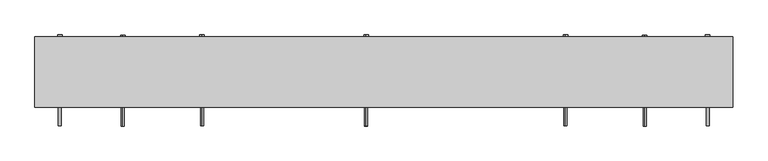
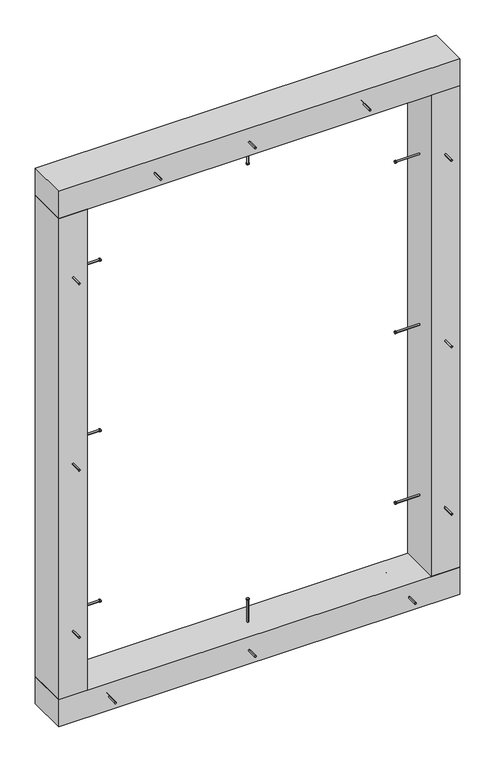
"""IFC4 building model written with IfcOpenShell, lengths in millimetres: proxy geometry."""

from ifc_helpers import new_model, si_unit, point, frame, frame_2d, origin, origin_with_axes, place, context, project, spatial, polyline, circle_curve, trimmed, segment, composite_curve, outline, extrude, source, transform, mapped, element, save


def generic_models_82da4d3c(model_context):
    return source(origin(), model_context, "Body", "SweptSolid", [
        extrude(outline(composite_curve([segment(trimmed(circle_curve(frame_2d((125.0, 20.0)), 2.4700592), [point((125.0, 17.5299408))], [point((125.0, 22.4700592))], False, "CARTESIAN"), True, "CONTINUOUS"), segment(trimmed(circle_curve(frame_2d((125.0, 20.0)), 2.4700592), [point((125.0, 22.4700592))], [point((125.0, 17.5299408))], False, "CARTESIAN"), True, "CONTINUOUS")], self_intersect=False)), frame((0.0, 0.0, 25.0), z_axis=(0.0, 0.0, 1.0), x_axis=(1.0, 0.0, 0.0)), (0.0, 0.0, 1.0), 130.0),
        extrude(outline(composite_curve([segment(trimmed(circle_curve(frame_2d((125.0, 20.0)), 3.8), [point((125.0, 16.2))], [point((125.0, 23.8))], False, "CARTESIAN"), True, "CONTINUOUS"), segment(trimmed(circle_curve(frame_2d((125.0, 20.0)), 3.8), [point((125.0, 23.8))], [point((125.0, 16.2))], False, "CARTESIAN"), True, "CONTINUOUS")], self_intersect=False)), frame((0.0, 0.0, 155.0), z_axis=(0.0, 0.0, 1.0), x_axis=(1.0, 0.0, 0.0)), (0.0, 0.0, 1.0), 3.0),
        extrude(outline(composite_curve([segment(trimmed(circle_curve(frame_2d((42.5, 95.0)), 2.4700592), [point((44.9700592, 95.0))], [point((40.0299408, 95.0))], False, "CARTESIAN"), True, "CONTINUOUS"), segment(trimmed(circle_curve(frame_2d((42.5, 95.0)), 2.4700592), [point((40.0299408, 95.0))], [point((44.9700592, 95.0))], False, "CARTESIAN"), True, "CONTINUOUS")], self_intersect=False)), frame((0.0, -72.0, 0.0), z_axis=(0.0, 1.0, 0.0), x_axis=(0.0, 0.0, 1.0)), (0.0, 0.0, 1.0), 152.0),
        extrude(outline(composite_curve([segment(trimmed(circle_curve(frame_2d((42.5, 95.0)), 3.8), [point((46.3, 95.0))], [point((38.7, 95.0))], False, "CARTESIAN"), True, "CONTINUOUS"), segment(trimmed(circle_curve(frame_2d((42.5, 95.0)), 3.8), [point((38.7, 95.0))], [point((46.3, 95.0))], False, "CARTESIAN"), True, "CONTINUOUS")], self_intersect=False)), frame((0.0, 80.0, 0.0), z_axis=(0.0, 1.0, 0.0), x_axis=(0.0, 0.0, 1.0)), (0.0, 0.0, 1.0), 3.0),
        extrude(outline(composite_curve([segment(trimmed(circle_curve(frame_2d((42.5, -320.0)), 2.4700592), [point((44.9700592, -320.0))], [point((40.0299408, -320.0))], False, "CARTESIAN"), True, "CONTINUOUS"), segment(trimmed(circle_curve(frame_2d((42.5, -320.0)), 2.4700592), [point((40.0299408, -320.0))], [point((44.9700592, -320.0))], False, "CARTESIAN"), True, "CONTINUOUS")], self_intersect=False)), frame((0.0, -72.0, 0.0), z_axis=(0.0, 1.0, 0.0), x_axis=(0.0, 0.0, 1.0)), (0.0, 0.0, 1.0), 152.0),
        extrude(outline(composite_curve([segment(trimmed(circle_curve(frame_2d((42.5, -320.0)), 3.8), [point((46.3, -320.0))], [point((38.7, -320.0))], False, "CARTESIAN"), True, "CONTINUOUS"), segment(trimmed(circle_curve(frame_2d((42.5, -320.0)), 3.8), [point((38.7, -320.0))], [point((46.3, -320.0))], False, "CARTESIAN"), True, "CONTINUOUS")], self_intersect=False)), frame((0.0, 80.0, 0.0), z_axis=(0.0, 1.0, 0.0), x_axis=(0.0, 0.0, 1.0)), (0.0, 0.0, 1.0), 3.0),
        extrude(outline(composite_curve([segment(trimmed(circle_curve(frame_2d((42.5, 570.0)), 2.4700592), [point((44.9700592, 570.0))], [point((40.0299408, 570.0))], False, "CARTESIAN"), True, "CONTINUOUS"), segment(trimmed(circle_curve(frame_2d((42.5, 570.0)), 2.4700592), [point((40.0299408, 570.0))], [point((44.9700592, 570.0))], False, "CARTESIAN"), True, "CONTINUOUS")], self_intersect=False)), frame((0.0, -72.0, 0.0), z_axis=(0.0, 1.0, 0.0), x_axis=(0.0, 0.0, 1.0)), (0.0, 0.0, 1.0), 152.0),
        extrude(outline(composite_curve([segment(trimmed(circle_curve(frame_2d((42.5, 570.0)), 3.8), [point((46.3, 570.0))], [point((38.7, 570.0))], False, "CARTESIAN"), True, "CONTINUOUS"), segment(trimmed(circle_curve(frame_2d((42.5, 570.0)), 3.8), [point((38.7, 570.0))], [point((46.3, 570.0))], False, "CARTESIAN"), True, "CONTINUOUS")], self_intersect=False)), frame((0.0, 80.0, 0.0), z_axis=(0.0, 1.0, 0.0), x_axis=(0.0, 0.0, 1.0)), (0.0, 0.0, 1.0), 3.0),
        extrude(outline(polyline([(720.0, -40.0), (-470.0, -40.0), (-470.0, 80.0), (720.0, 80.0), (720.0, -40.0)])), origin_with_axes(), (0.0, 0.0, 1.0), 85.0),
        extrude(outline(composite_curve([segment(trimmed(circle_curve(frame_2d((20.0, 305.0)), 2.4700592), [point((17.5299408, 305.0))], [point((22.4700592, 305.0))], False, "CARTESIAN"), True, "CONTINUOUS"), segment(trimmed(circle_curve(frame_2d((20.0, 305.0)), 2.4700592), [point((22.4700592, 305.0))], [point((17.5299408, 305.0))], False, "CARTESIAN"), True, "CONTINUOUS")], self_intersect=False)), frame((-445.0, 0.0, 0.0), z_axis=(1.0, 0.0, 0.0), x_axis=(0.0, 1.0, 0.0)), (0.0, 0.0, 1.0), 130.0),
        extrude(outline(composite_curve([segment(trimmed(circle_curve(frame_2d((20.0, 305.0)), 3.8), [point((16.2, 305.0))], [point((23.8, 305.0))], False, "CARTESIAN"), True, "CONTINUOUS"), segment(trimmed(circle_curve(frame_2d((20.0, 305.0)), 3.8), [point((23.8, 305.0))], [point((16.2, 305.0))], False, "CARTESIAN"), True, "CONTINUOUS")], self_intersect=False)), frame((-315.0, 0.0, 0.0), z_axis=(1.0, 0.0, 0.0), x_axis=(0.0, 1.0, 0.0)), (0.0, 0.0, 1.0), 3.0),
        extrude(outline(composite_curve([segment(trimmed(circle_curve(frame_2d((20.0, 1375.0)), 2.4700592), [point((17.5299408, 1375.0))], [point((22.4700592, 1375.0))], False, "CARTESIAN"), True, "CONTINUOUS"), segment(trimmed(circle_curve(frame_2d((20.0, 1375.0)), 2.4700592), [point((22.4700592, 1375.0))], [point((17.5299408, 1375.0))], False, "CARTESIAN"), True, "CONTINUOUS")], self_intersect=False)), frame((-445.0, 0.0, 0.0), z_axis=(1.0, 0.0, 0.0), x_axis=(0.0, 1.0, 0.0)), (0.0, 0.0, 1.0), 130.0),
        extrude(outline(composite_curve([segment(trimmed(circle_curve(frame_2d((20.0, 1375.0)), 3.8), [point((16.2, 1375.0))], [point((23.8, 1375.0))], False, "CARTESIAN"), True, "CONTINUOUS"), segment(trimmed(circle_curve(frame_2d((20.0, 1375.0)), 3.8), [point((23.8, 1375.0))], [point((16.2, 1375.0))], False, "CARTESIAN"), True, "CONTINUOUS")], self_intersect=False)), frame((-315.0, 0.0, 0.0), z_axis=(1.0, 0.0, 0.0), x_axis=(0.0, 1.0, 0.0)), (0.0, 0.0, 1.0), 3.0),
        extrude(outline(composite_curve([segment(trimmed(circle_curve(frame_2d((810.0, -427.5)), 2.4700592), [point((810.0, -429.9700592))], [point((810.0, -425.0299408))], False, "CARTESIAN"), True, "CONTINUOUS"), segment(trimmed(circle_curve(frame_2d((810.0, -427.5)), 2.4700592), [point((810.0, -425.0299408))], [point((810.0, -429.9700592))], False, "CARTESIAN"), True, "CONTINUOUS")], self_intersect=False)), frame((0.0, -72.0, 0.0), z_axis=(0.0, 1.0, 0.0), x_axis=(0.0, 0.0, 1.0)), (0.0, 0.0, 1.0), 152.0),
        extrude(outline(composite_curve([segment(trimmed(circle_curve(frame_2d((810.0, -427.5)), 3.8), [point((810.0, -431.3))], [point((810.0, -423.7))], False, "CARTESIAN"), True, "CONTINUOUS"), segment(trimmed(circle_curve(frame_2d((810.0, -427.5)), 3.8), [point((810.0, -423.7))], [point((810.0, -431.3))], False, "CARTESIAN"), True, "CONTINUOUS")], self_intersect=False)), frame((0.0, 80.0, 0.0), z_axis=(0.0, 1.0, 0.0), x_axis=(0.0, 0.0, 1.0)), (0.0, 0.0, 1.0), 3.0),
        extrude(outline(composite_curve([segment(trimmed(circle_curve(frame_2d((20.0, 840.0)), 2.4700592), [point((17.5299408, 840.0))], [point((22.4700592, 840.0))], False, "CARTESIAN"), True, "CONTINUOUS"), segment(trimmed(circle_curve(frame_2d((20.0, 840.0)), 2.4700592), [point((22.4700592, 840.0))], [point((17.5299408, 840.0))], False, "CARTESIAN"), True, "CONTINUOUS")], self_intersect=False)), frame((-445.0, 0.0, 0.0), z_axis=(1.0, 0.0, 0.0), x_axis=(0.0, 1.0, 0.0)), (0.0, 0.0, 1.0), 130.0),
        extrude(outline(composite_curve([segment(trimmed(circle_curve(frame_2d((20.0, 840.0)), 3.8), [point((16.2, 840.0))], [point((23.8, 840.0))], False, "CARTESIAN"), True, "CONTINUOUS"), segment(trimmed(circle_curve(frame_2d((20.0, 840.0)), 3.8), [point((23.8, 840.0))], [point((16.2, 840.0))], False, "CARTESIAN"), True, "CONTINUOUS")], self_intersect=False)), frame((-315.0, 0.0, 0.0), z_axis=(1.0, 0.0, 0.0), x_axis=(0.0, 1.0, 0.0)), (0.0, 0.0, 1.0), 3.0),
        extrude(outline(composite_curve([segment(trimmed(circle_curve(frame_2d((1395.0, -427.5)), 2.4700592), [point((1395.0, -429.9700592))], [point((1395.0, -425.0299408))], False, "CARTESIAN"), True, "CONTINUOUS"), segment(trimmed(circle_curve(frame_2d((1395.0, -427.5)), 2.4700592), [point((1395.0, -425.0299408))], [point((1395.0, -429.9700592))], False, "CARTESIAN"), True, "CONTINUOUS")], self_intersect=False)), frame((0.0, -72.0, 0.0), z_axis=(0.0, 1.0, 0.0), x_axis=(0.0, 0.0, 1.0)), (0.0, 0.0, 1.0), 152.0),
        extrude(outline(composite_curve([segment(trimmed(circle_curve(frame_2d((1395.0, -427.5)), 3.8), [point((1395.0, -431.3))], [point((1395.0, -423.7))], False, "CARTESIAN"), True, "CONTINUOUS"), segment(trimmed(circle_curve(frame_2d((1395.0, -427.5)), 3.8), [point((1395.0, -423.7))], [point((1395.0, -431.3))], False, "CARTESIAN"), True, "CONTINUOUS")], self_intersect=False)), frame((0.0, 80.0, 0.0), z_axis=(0.0, 1.0, 0.0), x_axis=(0.0, 0.0, 1.0)), (0.0, 0.0, 1.0), 3.0),
        extrude(outline(composite_curve([segment(trimmed(circle_curve(frame_2d((285.0, -427.5)), 2.4700592), [point((285.0, -429.9700592))], [point((285.0, -425.0299408))], False, "CARTESIAN"), True, "CONTINUOUS"), segment(trimmed(circle_curve(frame_2d((285.0, -427.5)), 2.4700592), [point((285.0, -425.0299408))], [point((285.0, -429.9700592))], False, "CARTESIAN"), True, "CONTINUOUS")], self_intersect=False)), frame((0.0, -72.0, 0.0), z_axis=(0.0, 1.0, 0.0), x_axis=(0.0, 0.0, 1.0)), (0.0, 0.0, 1.0), 152.0),
        extrude(outline(composite_curve([segment(trimmed(circle_curve(frame_2d((285.0, -427.5)), 3.8), [point((285.0, -431.3))], [point((285.0, -423.7))], False, "CARTESIAN"), True, "CONTINUOUS"), segment(trimmed(circle_curve(frame_2d((285.0, -427.5)), 3.8), [point((285.0, -423.7))], [point((285.0, -431.3))], False, "CARTESIAN"), True, "CONTINUOUS")], self_intersect=False)), frame((0.0, 80.0, 0.0), z_axis=(0.0, 1.0, 0.0), x_axis=(0.0, 0.0, 1.0)), (0.0, 0.0, 1.0), 3.0),
        extrude(outline(polyline([(-470.0, -40.0), (-470.0, 80.0), (-385.0, 80.0), (-385.0, -40.0), (-470.0, -40.0)])), frame((0.0, 0.0, 85.0), z_axis=(0.0, 0.0, 1.0), x_axis=(1.0, 0.0, 0.0)), (0.0, 0.0, 1.0), 1510.0),
        extrude(outline(composite_curve([segment(trimmed(circle_curve(frame_2d((20.0, 305.0)), 2.4700592), [point((17.5299408, 305.0))], [point((22.4700592, 305.0))], False, "CARTESIAN"), True, "CONTINUOUS"), segment(trimmed(circle_curve(frame_2d((20.0, 305.0)), 2.4700592), [point((22.4700592, 305.0))], [point((17.5299408, 305.0))], False, "CARTESIAN"), True, "CONTINUOUS")], self_intersect=False)), frame((565.0, 0.0, 0.0), z_axis=(1.0, 0.0, 0.0), x_axis=(0.0, 1.0, 0.0)), (0.0, 0.0, 1.0), 130.0),
        extrude(outline(composite_curve([segment(trimmed(circle_curve(frame_2d((20.0, 305.0)), 3.8), [point((16.2, 305.0))], [point((23.8, 305.0))], False, "CARTESIAN"), True, "CONTINUOUS"), segment(trimmed(circle_curve(frame_2d((20.0, 305.0)), 3.8), [point((23.8, 305.0))], [point((16.2, 305.0))], False, "CARTESIAN"), True, "CONTINUOUS")], self_intersect=False)), frame((562.0, 0.0, 0.0), z_axis=(1.0, 0.0, 0.0), x_axis=(0.0, 1.0, 0.0)), (0.0, 0.0, 1.0), 3.0),
        extrude(outline(composite_curve([segment(trimmed(circle_curve(frame_2d((20.0, 1375.0)), 2.4700592), [point((17.5299408, 1375.0))], [point((22.4700592, 1375.0))], False, "CARTESIAN"), True, "CONTINUOUS"), segment(trimmed(circle_curve(frame_2d((20.0, 1375.0)), 2.4700592), [point((22.4700592, 1375.0))], [point((17.5299408, 1375.0))], False, "CARTESIAN"), True, "CONTINUOUS")], self_intersect=False)), frame((565.0, 0.0, 0.0), z_axis=(1.0, 0.0, 0.0), x_axis=(0.0, 1.0, 0.0)), (0.0, 0.0, 1.0), 130.0),
        extrude(outline(composite_curve([segment(trimmed(circle_curve(frame_2d((20.0, 1375.0)), 3.8), [point((16.2, 1375.0))], [point((23.8, 1375.0))], False, "CARTESIAN"), True, "CONTINUOUS"), segment(trimmed(circle_curve(frame_2d((20.0, 1375.0)), 3.8), [point((23.8, 1375.0))], [point((16.2, 1375.0))], False, "CARTESIAN"), True, "CONTINUOUS")], self_intersect=False)), frame((562.0, 0.0, 0.0), z_axis=(1.0, 0.0, 0.0), x_axis=(0.0, 1.0, 0.0)), (0.0, 0.0, 1.0), 3.0),
        extrude(outline(composite_curve([segment(trimmed(circle_curve(frame_2d((810.0, 677.5)), 2.4700592), [point((810.0, 679.9700592))], [point((810.0, 675.0299408))], False, "CARTESIAN"), True, "CONTINUOUS"), segment(trimmed(circle_curve(frame_2d((810.0, 677.5)), 2.4700592), [point((810.0, 675.0299408))], [point((810.0, 679.9700592))], False, "CARTESIAN"), True, "CONTINUOUS")], self_intersect=False)), frame((0.0, -72.0, 0.0), z_axis=(0.0, 1.0, 0.0), x_axis=(0.0, 0.0, 1.0)), (0.0, 0.0, 1.0), 152.0),
        extrude(outline(composite_curve([segment(trimmed(circle_curve(frame_2d((810.0, 677.5)), 3.8), [point((810.0, 681.3))], [point((810.0, 673.7))], False, "CARTESIAN"), True, "CONTINUOUS"), segment(trimmed(circle_curve(frame_2d((810.0, 677.5)), 3.8), [point((810.0, 673.7))], [point((810.0, 681.3))], False, "CARTESIAN"), True, "CONTINUOUS")], self_intersect=False)), frame((0.0, 80.0, 0.0), z_axis=(0.0, 1.0, 0.0), x_axis=(0.0, 0.0, 1.0)), (0.0, 0.0, 1.0), 3.0),
        extrude(outline(composite_curve([segment(trimmed(circle_curve(frame_2d((20.0, 840.0)), 2.4700592), [point((17.5299408, 840.0))], [point((22.4700592, 840.0))], False, "CARTESIAN"), True, "CONTINUOUS"), segment(trimmed(circle_curve(frame_2d((20.0, 840.0)), 2.4700592), [point((22.4700592, 840.0))], [point((17.5299408, 840.0))], False, "CARTESIAN"), True, "CONTINUOUS")], self_intersect=False)), frame((565.0, 0.0, 0.0), z_axis=(1.0, 0.0, 0.0), x_axis=(0.0, 1.0, 0.0)), (0.0, 0.0, 1.0), 130.0),
        extrude(outline(composite_curve([segment(trimmed(circle_curve(frame_2d((20.0, 840.0)), 3.8), [point((16.2, 840.0))], [point((23.8, 840.0))], False, "CARTESIAN"), True, "CONTINUOUS"), segment(trimmed(circle_curve(frame_2d((20.0, 840.0)), 3.8), [point((23.8, 840.0))], [point((16.2, 840.0))], False, "CARTESIAN"), True, "CONTINUOUS")], self_intersect=False)), frame((562.0, 0.0, 0.0), z_axis=(1.0, 0.0, 0.0), x_axis=(0.0, 1.0, 0.0)), (0.0, 0.0, 1.0), 3.0),
        extrude(outline(composite_curve([segment(trimmed(circle_curve(frame_2d((1395.0, 677.5)), 2.4700592), [point((1395.0, 679.9700592))], [point((1395.0, 675.0299408))], False, "CARTESIAN"), True, "CONTINUOUS"), segment(trimmed(circle_curve(frame_2d((1395.0, 677.5)), 2.4700592), [point((1395.0, 675.0299408))], [point((1395.0, 679.9700592))], False, "CARTESIAN"), True, "CONTINUOUS")], self_intersect=False)), frame((0.0, -72.0, 0.0), z_axis=(0.0, 1.0, 0.0), x_axis=(0.0, 0.0, 1.0)), (0.0, 0.0, 1.0), 152.0),
        extrude(outline(composite_curve([segment(trimmed(circle_curve(frame_2d((1395.0, 677.5)), 3.8), [point((1395.0, 681.3))], [point((1395.0, 673.7))], False, "CARTESIAN"), True, "CONTINUOUS"), segment(trimmed(circle_curve(frame_2d((1395.0, 677.5)), 3.8), [point((1395.0, 673.7))], [point((1395.0, 681.3))], False, "CARTESIAN"), True, "CONTINUOUS")], self_intersect=False)), frame((0.0, 80.0, 0.0), z_axis=(0.0, 1.0, 0.0), x_axis=(0.0, 0.0, 1.0)), (0.0, 0.0, 1.0), 3.0),
        extrude(outline(composite_curve([segment(trimmed(circle_curve(frame_2d((285.0, 677.5)), 2.4700592), [point((285.0, 679.9700592))], [point((285.0, 675.0299408))], False, "CARTESIAN"), True, "CONTINUOUS"), segment(trimmed(circle_curve(frame_2d((285.0, 677.5)), 2.4700592), [point((285.0, 675.0299408))], [point((285.0, 679.9700592))], False, "CARTESIAN"), True, "CONTINUOUS")], self_intersect=False)), frame((0.0, -72.0, 0.0), z_axis=(0.0, 1.0, 0.0), x_axis=(0.0, 0.0, 1.0)), (0.0, 0.0, 1.0), 152.0),
        extrude(outline(composite_curve([segment(trimmed(circle_curve(frame_2d((285.0, 677.5)), 3.8), [point((285.0, 681.3))], [point((285.0, 673.7))], False, "CARTESIAN"), True, "CONTINUOUS"), segment(trimmed(circle_curve(frame_2d((285.0, 677.5)), 3.8), [point((285.0, 673.7))], [point((285.0, 681.3))], False, "CARTESIAN"), True, "CONTINUOUS")], self_intersect=False)), frame((0.0, 80.0, 0.0), z_axis=(0.0, 1.0, 0.0), x_axis=(0.0, 0.0, 1.0)), (0.0, 0.0, 1.0), 3.0),
        extrude(outline(polyline([(720.0, -40.0), (635.0, -40.0), (635.0, 80.0), (720.0, 80.0), (720.0, -40.0)])), frame((0.0, 0.0, 85.0), z_axis=(0.0, 0.0, 1.0), x_axis=(1.0, 0.0, 0.0)), (0.0, 0.0, 1.0), 1510.0),
        extrude(outline(composite_curve([segment(trimmed(circle_curve(frame_2d((1637.5, 95.0)), 2.4700592), [point((1639.9700592, 95.0))], [point((1635.0299408, 95.0))], False, "CARTESIAN"), True, "CONTINUOUS"), segment(trimmed(circle_curve(frame_2d((1637.5, 95.0)), 2.4700592), [point((1635.0299408, 95.0))], [point((1639.9700592, 95.0))], False, "CARTESIAN"), True, "CONTINUOUS")], self_intersect=False)), frame((0.0, -72.0, 0.0), z_axis=(0.0, 1.0, 0.0), x_axis=(0.0, 0.0, 1.0)), (0.0, 0.0, 1.0), 152.0),
        extrude(outline(composite_curve([segment(trimmed(circle_curve(frame_2d((1637.5, 95.0)), 3.8), [point((1641.3, 95.0))], [point((1633.7, 95.0))], False, "CARTESIAN"), True, "CONTINUOUS"), segment(trimmed(circle_curve(frame_2d((1637.5, 95.0)), 3.8), [point((1633.7, 95.0))], [point((1641.3, 95.0))], False, "CARTESIAN"), True, "CONTINUOUS")], self_intersect=False)), frame((0.0, 80.0, 0.0), z_axis=(0.0, 1.0, 0.0), x_axis=(0.0, 0.0, 1.0)), (0.0, 0.0, 1.0), 3.0),
        extrude(outline(composite_curve([segment(trimmed(circle_curve(frame_2d((125.0, 20.0)), 2.4700592), [point((125.0, 17.5299408))], [point((125.0, 22.4700592))], False, "CARTESIAN"), True, "CONTINUOUS"), segment(trimmed(circle_curve(frame_2d((125.0, 20.0)), 2.4700592), [point((125.0, 22.4700592))], [point((125.0, 17.5299408))], False, "CARTESIAN"), True, "CONTINUOUS")], self_intersect=False)), frame((0.0, 0.0, 1525.0), z_axis=(0.0, 0.0, 1.0), x_axis=(1.0, 0.0, 0.0)), (0.0, 0.0, 1.0), 130.0),
        extrude(outline(composite_curve([segment(trimmed(circle_curve(frame_2d((125.0, 20.0)), 3.8), [point((125.0, 16.2))], [point((125.0, 23.8))], False, "CARTESIAN"), True, "CONTINUOUS"), segment(trimmed(circle_curve(frame_2d((125.0, 20.0)), 3.8), [point((125.0, 23.8))], [point((125.0, 16.2))], False, "CARTESIAN"), True, "CONTINUOUS")], self_intersect=False)), frame((0.0, 0.0, 1522.0), z_axis=(0.0, 0.0, 1.0), x_axis=(1.0, 0.0, 0.0)), (0.0, 0.0, 1.0), 3.0),
        extrude(outline(composite_curve([segment(trimmed(circle_curve(frame_2d((1637.5, -185.0)), 2.4700592), [point((1639.9700592, -185.0))], [point((1635.0299408, -185.0))], False, "CARTESIAN"), True, "CONTINUOUS"), segment(trimmed(circle_curve(frame_2d((1637.5, -185.0)), 2.4700592), [point((1635.0299408, -185.0))], [point((1639.9700592, -185.0))], False, "CARTESIAN"), True, "CONTINUOUS")], self_intersect=False)), frame((0.0, -72.0, 0.0), z_axis=(0.0, 1.0, 0.0), x_axis=(0.0, 0.0, 1.0)), (0.0, 0.0, 1.0), 152.0),
        extrude(outline(composite_curve([segment(trimmed(circle_curve(frame_2d((1637.5, -185.0)), 3.8), [point((1641.3, -185.0))], [point((1633.7, -185.0))], False, "CARTESIAN"), True, "CONTINUOUS"), segment(trimmed(circle_curve(frame_2d((1637.5, -185.0)), 3.8), [point((1633.7, -185.0))], [point((1641.3, -185.0))], False, "CARTESIAN"), True, "CONTINUOUS")], self_intersect=False)), frame((0.0, 80.0, 0.0), z_axis=(0.0, 1.0, 0.0), x_axis=(0.0, 0.0, 1.0)), (0.0, 0.0, 1.0), 3.0),
        extrude(outline(composite_curve([segment(trimmed(circle_curve(frame_2d((1637.5, 435.0)), 2.4700592), [point((1639.9700592, 435.0))], [point((1635.0299408, 435.0))], False, "CARTESIAN"), True, "CONTINUOUS"), segment(trimmed(circle_curve(frame_2d((1637.5, 435.0)), 2.4700592), [point((1635.0299408, 435.0))], [point((1639.9700592, 435.0))], False, "CARTESIAN"), True, "CONTINUOUS")], self_intersect=False)), frame((0.0, -72.0, 0.0), z_axis=(0.0, 1.0, 0.0), x_axis=(0.0, 0.0, 1.0)), (0.0, 0.0, 1.0), 152.0),
        extrude(outline(composite_curve([segment(trimmed(circle_curve(frame_2d((1637.5, 435.0)), 3.8), [point((1641.3, 435.0))], [point((1633.7, 435.0))], False, "CARTESIAN"), True, "CONTINUOUS"), segment(trimmed(circle_curve(frame_2d((1637.5, 435.0)), 3.8), [point((1633.7, 435.0))], [point((1641.3, 435.0))], False, "CARTESIAN"), True, "CONTINUOUS")], self_intersect=False)), frame((0.0, 80.0, 0.0), z_axis=(0.0, 1.0, 0.0), x_axis=(0.0, 0.0, 1.0)), (0.0, 0.0, 1.0), 3.0),
        extrude(outline(polyline([(720.0, -40.0), (-470.0, -40.0), (-470.0, 80.0), (720.0, 80.0), (720.0, -40.0)])), frame((0.0, 0.0, 1595.0), z_axis=(0.0, 0.0, 1.0), x_axis=(1.0, 0.0, 0.0)), (0.0, 0.0, 1.0), 85.0),
    ])


if __name__ == "__main__":
    model = new_model("IFC4")
    model_context = context("Model", 3, world=origin())
    ifc_project = project(units=[si_unit("LENGTHUNIT", "METRE", prefix="MILLI")], contexts=[model_context])
    site = spatial("IfcSite", under=ifc_project)
    building = spatial("IfcBuilding", under=site)
    placement = place(None, origin())
    generic_models_shape = generic_models_82da4d3c(model_context)
    element("IfcBuildingElementProxy", 1, Name="Generic Models", at=placement, inside=building, context=model_context, shape_type="MappedRepresentation", body=[
        mapped(generic_models_shape, transform((0.0, 0.0, 0.0), x_axis=(1.0, 0.0, 0.0), y_axis=(0.0, 1.0, 0.0), z_axis=(0.0, 0.0, 1.0))),
    ])
    save(model, "model.ifc")
